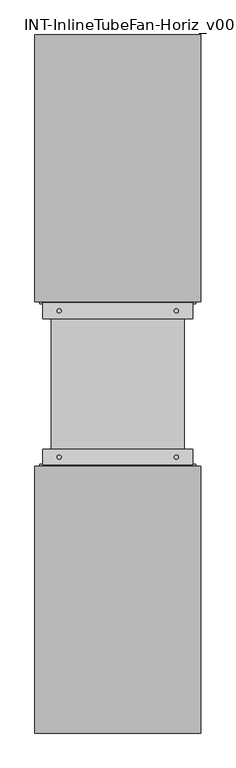
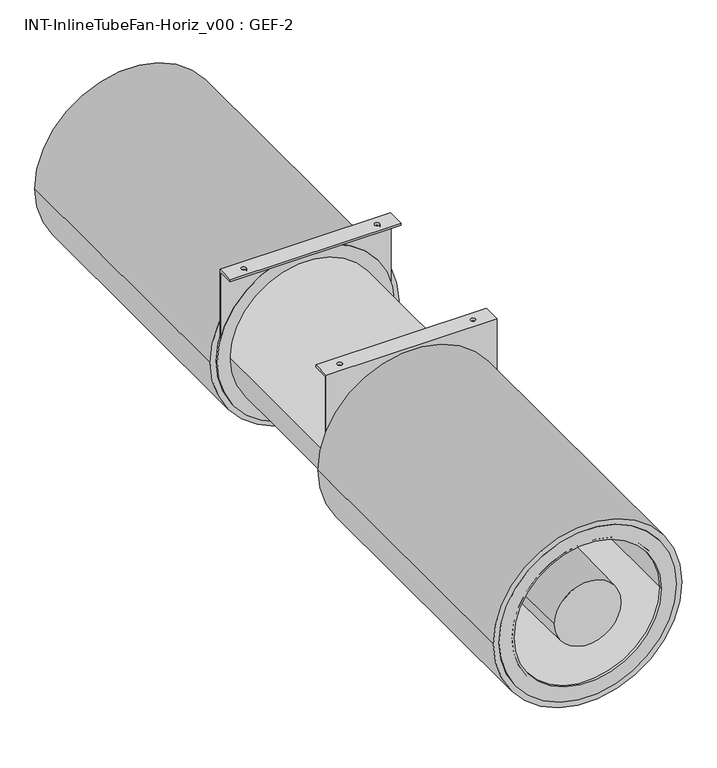
"""IFC4 building model written with IfcOpenShell, lengths in millimetres: proxy geometry, INT-InlineTubeFan-Horiz_v00 : GEF-2."""

import ifcopenshell
import ifcopenshell.guid

model = None  # the IFC model being written
_history = None  # IfcOwnerHistory: only IFC2X3 demands one
_inside = {}  # id of a spatial element -> (the spatial element, [elements in it])
_under = {}  # id of a project, library or spatial element -> (it, [spatial elements below it])
_declared = {}  # id of a project -> (the project, [libraries it declares])
_typed = {}  # id of a type object -> (the type object, [elements of that type])
_made_of = {}  # id of a material, layer set ... -> (it, [elements and type objects made of it])


def new_model(schema):
    """Start an empty IFC model of exactly this schema.

    Asked for "IFC4X3", IfcOpenShell would pick the latest addendum, in which some entities
    have other attributes; the version numbers below select the first issue.
    IFC2X3 requires an IfcOwnerHistory on every rooted entity: one is made here for all.
    """
    global model, _history
    if schema == "IFC4X3":
        model = ifcopenshell.file(schema_version=(4, 3, 0, 0))
    else:
        model = ifcopenshell.file(schema=schema)
    _inside.clear()
    _under.clear()
    _declared.clear()
    _typed.clear()
    _made_of.clear()
    _history = None
    if model.schema == "IFC2X3":
        org = make("IfcOrganization", Name="unknown")
        user = make(
            "IfcPersonAndOrganization",
            ThePerson=make("IfcPerson", FamilyName="unknown"),
            TheOrganization=org,
        )
        app = make(
            "IfcApplication",
            ApplicationDeveloper=org,
            Version="unknown",
            ApplicationFullName="unknown",
            ApplicationIdentifier="unknown",
        )
        _history = make(
            "IfcOwnerHistory",
            OwningUser=user,
            OwningApplication=app,
            ChangeAction="ADDED",
            CreationDate=0,
        )
    return model


def make(cls, **values):
    """One entity of the class cls with the attributes given. An attribute that is None is left unset."""
    return model.create_entity(
        cls, **{name: value for name, value in values.items() if value is not None}
    )


def rooted(cls, **values):
    """An entity with a GlobalId (a new one), such as an element, a storey or a relation."""
    return make(cls, GlobalId=ifcopenshell.guid.new(), OwnerHistory=_history, **values)


def si_unit(unit_type, name, prefix=None):
    """IfcSIUnit, for example si_unit("LENGTHUNIT", "METRE", prefix="MILLI")."""
    return make("IfcSIUnit", UnitType=unit_type, Prefix=prefix, Name=name)


def assignment(units):
    """IfcUnitAssignment: the units of a project."""
    return None if units is None else make("IfcUnitAssignment", Units=units)


def point(xyz):
    """IfcCartesianPoint."""
    return None if xyz is None else make("IfcCartesianPoint", Coordinates=xyz)


def direction(xyz):
    """IfcDirection."""
    return None if xyz is None else make("IfcDirection", DirectionRatios=xyz)


def frame(location, z_axis=None, x_axis=None):
    """IfcAxis2Placement3D, a coordinate frame: its origin and axes. An axis left out is left unset."""
    return make(
        "IfcAxis2Placement3D",
        Location=point(location),
        Axis=direction(z_axis),
        RefDirection=direction(x_axis),
    )


def frame_2d(location, x_axis=None):
    """IfcAxis2Placement2D, a coordinate frame in the plane: its origin and x axis."""
    return make(
        "IfcAxis2Placement2D", Location=point(location), RefDirection=direction(x_axis)
    )


def origin():
    """The frame at (0, 0, 0) with its axes left unset."""
    return frame((0.0, 0.0, 0.0))


def place(relative_to, where):
    """IfcLocalPlacement: puts the frame where relative to a parent placement (None: the world)."""
    return make(
        "IfcLocalPlacement", PlacementRelTo=relative_to, RelativePlacement=where
    )


def context(
    kind, dimensions, precision=None, world=None, true_north=None, identifier=None
):
    """IfcGeometricRepresentationContext, for example the 3D "Model" context."""
    return make(
        "IfcGeometricRepresentationContext",
        ContextIdentifier=identifier,
        ContextType=kind,
        CoordinateSpaceDimension=dimensions,
        Precision=precision,
        WorldCoordinateSystem=world,
        TrueNorth=true_north,
    )


def project(units=None, contexts=None):
    """IfcProject with its units and contexts."""
    return rooted(
        "IfcProject",
        Name="project",
        RepresentationContexts=contexts,
        UnitsInContext=assignment(units),
    )


def spatial(cls, under=None, at=None, **own):
    """A site, building, storey or space (cls), placed at a placement, below another one or the project."""
    s = rooted(cls, ObjectPlacement=at, **own)
    if under is not None:
        _under.setdefault(under.id(), (under, []))[1].append(s)
    return s


def polyline(points):
    """IfcPolyline through the points."""
    return make("IfcPolyline", Points=[point(p) for p in points])


def circle_curve(where, radius):
    """IfcCircle in the frame where."""
    return make("IfcCircle", Position=where, Radius=radius)


def trimmed(basis, trim1, trim2, sense, master):
    """IfcTrimmedCurve: the piece of a basis curve between two trims."""
    return make(
        "IfcTrimmedCurve",
        BasisCurve=basis,
        Trim1=trim1,
        Trim2=trim2,
        SenseAgreement=sense,
        MasterRepresentation=master,
    )


def segment(curve, same_sense, transition):
    """IfcCompositeCurveSegment."""
    return make(
        "IfcCompositeCurveSegment",
        Transition=transition,
        SameSense=same_sense,
        ParentCurve=curve,
    )


def composite_curve(segments, self_intersect=None):
    """IfcCompositeCurve: segments joined end to end."""
    return make("IfcCompositeCurve", Segments=segments, SelfIntersect=self_intersect)


def outline(outer, holes=None, kind="AREA"):
    """IfcArbitraryClosedProfileDef: a profile drawn as a closed curve; with holes, ...WithVoids."""
    if holes is None:
        return make("IfcArbitraryClosedProfileDef", ProfileType=kind, OuterCurve=outer)
    return make(
        "IfcArbitraryProfileDefWithVoids",
        ProfileType=kind,
        OuterCurve=outer,
        InnerCurves=holes,
    )


def extrude(swept, where, along, depth):
    """IfcExtrudedAreaSolid: the profile swept, set in the frame where, extruded along a direction by depth."""
    return make(
        "IfcExtrudedAreaSolid",
        SweptArea=swept,
        Position=where,
        ExtrudedDirection=direction(along),
        Depth=depth,
    )


def shape(context_of_items, identifier, shape_type, items):
    """IfcShapeRepresentation: the items that make up one representation, for example the "Body"."""
    return make(
        "IfcShapeRepresentation",
        ContextOfItems=context_of_items,
        RepresentationIdentifier=identifier,
        RepresentationType=shape_type,
        Items=items,
    )


def source(mapping_origin, context_of_items, identifier, shape_type, items):
    """IfcRepresentationMap: a shape defined once, which mapped items show again and again."""
    return make(
        "IfcRepresentationMap",
        MappingOrigin=mapping_origin,
        MappedRepresentation=shape(context_of_items, identifier, shape_type, items),
    )


def transform(
    local_origin,
    x_axis=None,
    y_axis=None,
    z_axis=None,
    scale=None,
    scale2=None,
    scale3=None,
    uniform=True,
):
    """IfcCartesianTransformationOperator3D, or its non-uniform kind. x_axis, y_axis, z_axis: its Axis1, 2, 3."""
    if uniform:
        return make(
            "IfcCartesianTransformationOperator3D",
            Axis1=direction(x_axis),
            Axis2=direction(y_axis),
            LocalOrigin=point(local_origin),
            Scale=scale,
            Axis3=direction(z_axis),
        )
    return make(
        "IfcCartesianTransformationOperator3DnonUniform",
        Axis1=direction(x_axis),
        Axis2=direction(y_axis),
        LocalOrigin=point(local_origin),
        Scale=scale,
        Axis3=direction(z_axis),
        Scale2=scale2,
        Scale3=scale3,
    )


def mapped(mapping_source, mapping_target):
    """IfcMappedItem: shows the shape of a source again, moved by a transform."""
    return make(
        "IfcMappedItem", MappingSource=mapping_source, MappingTarget=mapping_target
    )


def made_of(thing, what):
    """Note that an element or type object is made of a material, layer set ...; save() writes the relation."""
    if what is not None:
        _made_of.setdefault(what.id(), (what, []))[1].append(thing)
    return thing


def element(
    cls,
    number,
    at=None,
    inside=None,
    cuts=None,
    type_object=None,
    material=None,
    context=None,
    identifier="Body",
    shape_type=None,
    held_by="IfcProductDefinitionShape",
    body=None,
    shapes=None,
    **own,
):
    """One element of the class cls, such as IfcWall. Its Tag is "e" and its number.

    at: its placement. inside: the storey or other place that contains it. cuts: it is an
    opening in that element (IfcRelVoidsElement). A single representation is given by context,
    identifier, shape_type and body (its items); several are given by shapes. held_by: the class
    of the entity that holds the representations. save() writes the other relations.
    """
    e = rooted(cls, Tag="e%d" % number, ObjectPlacement=at, **own)
    if body is not None:
        shapes = [shape(context, identifier, shape_type, body)]
    if shapes is not None:
        e.Representation = make(held_by, Representations=shapes)
    if inside is not None:
        _inside.setdefault(inside.id(), (inside, []))[1].append(e)
    if cuts is not None:
        rooted(
            "IfcRelVoidsElement", RelatingBuildingElement=cuts, RelatedOpeningElement=e
        )
    if type_object is not None:
        _typed.setdefault(type_object.id(), (type_object, []))[1].append(e)
    return made_of(e, material)


def aggregate(whole, parts):
    """IfcRelAggregates: a whole, such as a stair, and the parts it consists of."""
    return rooted("IfcRelAggregates", RelatingObject=whole, RelatedObjects=parts)


def save(model, path):
    """Write the relations noted so far, then the file.

    IfcRelAggregates (storeys below a building ...), IfcRelContainedInSpatialStructure (elements
    in a storey), IfcRelDefinesByType, IfcRelAssociatesMaterial and IfcRelDeclares: one each for
    every whole, place, type object, material and project.
    """
    for whole, parts in _under.values():
        aggregate(whole, parts)
    for where, things in _inside.values():
        rooted(
            "IfcRelContainedInSpatialStructure",
            RelatedElements=things,
            RelatingStructure=where,
        )
    for kind, things in _typed.values():
        rooted("IfcRelDefinesByType", RelatedObjects=things, RelatingType=kind)
    for what, things in _made_of.values():
        rooted("IfcRelAssociatesMaterial", RelatedObjects=things, RelatingMaterial=what)
    for by, libraries in _declared.values():
        rooted("IfcRelDeclares", RelatingContext=by, RelatedDefinitions=libraries)
    model.write(path)


def plane_surface(at):
    """IfcPlane: the flat surface through the origin of the frame at, square to its z axis."""
    return make("IfcPlane", Position=at)


def revolved_surface(curve, axis_point, axis_direction):
    """IfcSurfaceOfRevolution: the curve turned about the line through axis_point along axis_direction."""
    return make(
        "IfcSurfaceOfRevolution",
        SweptCurve=make("IfcArbitraryOpenProfileDef", ProfileType="CURVE", Curve=curve),
        AxisPosition=make("IfcAxis1Placement", Location=point(axis_point), Axis=direction(axis_direction)),
    )


def advanced_brep(points, edges, surfaces, faces):
    """IfcAdvancedBrep: a solid bounded by faces that lie on surfaces and meet in shared edges.

    An edge is (start, end): straight between two places in points (the first is 0);
    or (start, end, curve); or (start, end, curve, False) where it runs against its curve.
    A face is (place in surfaces, loops), or (place, loops, False) where it looks against
    its surface's normal. A loop lists edges by number (the first is 1), with a minus sign
    where the edge is run from its end to its start. The first loop is the outer one.
    """
    corners = [point(p) for p in points]
    vertices = [make("IfcVertexPoint", VertexGeometry=c) for c in corners]
    made = []
    for start, end, *more in edges:
        made.append(
            make(
                "IfcEdgeCurve",
                EdgeStart=vertices[start],
                EdgeEnd=vertices[end],
                EdgeGeometry=more[0] if more else make("IfcPolyline", Points=[corners[start], corners[end]]),
                SameSense=more[1] if len(more) > 1 else True,
            )
        )
    hull = []
    for where, loops, *sense in faces:
        bounds = []
        for j, loop in enumerate(loops):
            ring = [make("IfcOrientedEdge", EdgeElement=made[abs(k) - 1], Orientation=k > 0) for k in loop]
            bounds.append(
                make(
                    "IfcFaceOuterBound" if j == 0 else "IfcFaceBound",
                    Bound=make("IfcEdgeLoop", EdgeList=ring),
                    Orientation=True,
                )
            )
        hull.append(make("IfcAdvancedFace", Bounds=bounds, FaceSurface=surfaces[where], SameSense=sense[0] if sense else True))
    return make("IfcAdvancedBrep", Outer=make("IfcClosedShell", CfsFaces=hull))


def int_inlinetubefan_horiz_v00_gef_2_d23111d2(model_context):
    return source(origin(), model_context, "Body", "SolidModel", [
        extrude(outline(composite_curve([segment(trimmed(circle_curve(frame_2d((914.4, 0.0)), 241.3), [point((914.4, -241.3))], [point((914.4, 241.3))], False, "CARTESIAN"), True, "CONTINUOUS"), segment(trimmed(circle_curve(frame_2d((914.4, 0.0)), 241.3), [point((914.4, 241.3))], [point((914.4, -241.3))], False, "CARTESIAN"), True, "CONTINUOUS")], self_intersect=False), holes=[composite_curve([segment(trimmed(circle_curve(frame_2d((914.4, 0.0)), 200.025), [point((914.4, 200.025))], [point((914.4, -200.025))], True, "CARTESIAN"), True, "CONTINUOUS"), segment(trimmed(circle_curve(frame_2d((914.4, 0.0)), 200.025), [point((914.4, -200.025))], [point((914.4, 200.025))], True, "CARTESIAN"), True, "CONTINUOUS")], self_intersect=False)]), frame((0.0, 794.54375, 0.0), z_axis=(0.0, 1.0, 0.0), x_axis=(0.0, 0.0, 1.0)), (0.0, 0.0, 1.0), 6.35),
        extrude(outline(composite_curve([segment(trimmed(circle_curve(frame_2d((914.4, 0.0)), 241.3), [point((914.4, -241.3))], [point((914.4, 241.3))], False, "CARTESIAN"), True, "CONTINUOUS"), segment(trimmed(circle_curve(frame_2d((914.4, 0.0)), 241.3), [point((914.4, 241.3))], [point((914.4, -241.3))], False, "CARTESIAN"), True, "CONTINUOUS")], self_intersect=False), holes=[composite_curve([segment(trimmed(circle_curve(frame_2d((914.4, 0.0)), 200.025), [point((914.4, 200.025))], [point((914.4, -200.025))], True, "CARTESIAN"), True, "CONTINUOUS"), segment(trimmed(circle_curve(frame_2d((914.4, 0.0)), 200.025), [point((914.4, -200.025))], [point((914.4, 200.025))], True, "CARTESIAN"), True, "CONTINUOUS")], self_intersect=False)]), frame((0.0, -1359.69375, 0.0), z_axis=(0.0, 1.0, 0.0), x_axis=(0.0, 0.0, 1.0)), (0.0, 0.0, 1.0), 6.35),
        extrude(outline(composite_curve([segment(trimmed(circle_curve(frame_2d((914.4, 0.0)), 256.38125), [point((914.4, 256.38125))], [point((914.4, -256.38125))], False, "CARTESIAN"), True, "CONTINUOUS"), segment(trimmed(circle_curve(frame_2d((914.4, 0.0)), 256.38125), [point((914.4, -256.38125))], [point((914.4, 256.38125))], False, "CARTESIAN"), True, "CONTINUOUS")], self_intersect=False), holes=[composite_curve([segment(trimmed(circle_curve(frame_2d((914.4, 0.0)), 200.025), [point((914.4, 200.025))], [point((914.4, -200.025))], True, "CARTESIAN"), True, "CONTINUOUS"), segment(trimmed(circle_curve(frame_2d((914.4, 0.0)), 200.025), [point((914.4, -200.025))], [point((914.4, 200.025))], True, "CARTESIAN"), True, "CONTINUOUS")], self_intersect=False)]), frame((0.0, -25.4, 0.0), z_axis=(0.0, 1.0, 0.0), x_axis=(0.0, 0.0, 1.0)), (0.0, 0.0, 1.0), 826.29375),
        extrude(outline(composite_curve([segment(trimmed(circle_curve(frame_2d((914.4, 0.0)), 256.38125), [point((914.4, 256.38125))], [point((914.4, -256.38125))], False, "CARTESIAN"), True, "CONTINUOUS"), segment(trimmed(circle_curve(frame_2d((914.4, 0.0)), 256.38125), [point((914.4, -256.38125))], [point((914.4, 256.38125))], False, "CARTESIAN"), True, "CONTINUOUS")], self_intersect=False), holes=[composite_curve([segment(trimmed(circle_curve(frame_2d((914.4, 0.0)), 200.025), [point((914.4, 200.025))], [point((914.4, -200.025))], True, "CARTESIAN"), True, "CONTINUOUS"), segment(trimmed(circle_curve(frame_2d((914.4, 0.0)), 200.025), [point((914.4, -200.025))], [point((914.4, 200.025))], True, "CARTESIAN"), True, "CONTINUOUS")], self_intersect=False)]), frame((0.0, -1359.69375, 0.0), z_axis=(0.0, 1.0, 0.0), x_axis=(0.0, 0.0, 1.0)), (0.0, 0.0, 1.0), 826.29375),
        extrude(outline(composite_curve([segment(trimmed(circle_curve(frame_2d((917.575, 0.0)), 103.1875), [point((1020.7625, 0.0))], [point((814.3875, 0.0))], False, "CARTESIAN"), True, "CONTINUOUS"), segment(trimmed(circle_curve(frame_2d((917.575, 0.0)), 103.1875), [point((814.3875, 0.0))], [point((1020.7625, 0.0))], False, "CARTESIAN"), True, "CONTINUOUS")], self_intersect=False)), frame((0.0, -406.4, 0.0), z_axis=(0.0, 1.0, 0.0), x_axis=(0.0, 0.0, 1.0)), (0.0, 0.0, 1.0), 157.95625),
        extrude(outline(composite_curve([segment(trimmed(circle_curve(frame_2d((914.4, 0.0)), 241.3), [point((914.4, -241.3))], [point((914.4, 241.3))], False, "CARTESIAN"), True, "CONTINUOUS"), segment(trimmed(circle_curve(frame_2d((914.4, 0.0)), 241.3), [point((914.4, 241.3))], [point((914.4, -241.3))], False, "CARTESIAN"), True, "CONTINUOUS")], self_intersect=False), holes=[composite_curve([segment(trimmed(circle_curve(frame_2d((914.4, 0.0)), 200.025), [point((914.4, 200.025))], [point((914.4, -200.025))], True, "CARTESIAN"), True, "CONTINUOUS"), segment(trimmed(circle_curve(frame_2d((914.4, 0.0)), 200.025), [point((914.4, -200.025))], [point((914.4, 200.025))], True, "CARTESIAN"), True, "CONTINUOUS")], self_intersect=False)]), frame((0.0, -533.4, 0.0), z_axis=(0.0, 1.0, 0.0), x_axis=(0.0, 0.0, 1.0)), (0.0, 0.0, 1.0), 6.35),
        extrude(outline(composite_curve([segment(trimmed(circle_curve(frame_2d((914.4, 0.0)), 241.3), [point((914.4, -241.3))], [point((914.4, 241.3))], False, "CARTESIAN"), True, "CONTINUOUS"), segment(trimmed(circle_curve(frame_2d((914.4, 0.0)), 241.3), [point((914.4, 241.3))], [point((914.4, -241.3))], False, "CARTESIAN"), True, "CONTINUOUS")], self_intersect=False), holes=[composite_curve([segment(trimmed(circle_curve(frame_2d((914.4, 0.0)), 200.025), [point((914.4, 200.025))], [point((914.4, -200.025))], True, "CARTESIAN"), True, "CONTINUOUS"), segment(trimmed(circle_curve(frame_2d((914.4, 0.0)), 200.025), [point((914.4, -200.025))], [point((914.4, 200.025))], True, "CARTESIAN"), True, "CONTINUOUS")], self_intersect=False)]), frame((0.0, -31.75, 0.0), z_axis=(0.0, 1.0, 0.0), x_axis=(0.0, 0.0, 1.0)), (0.0, 0.0, 1.0), 6.35),
        advanced_brep(
        [(232.171875, -530.098, 981.471875), (232.171875, -527.05, 981.471875), (232.171875, -527.05, 1169.9875), (232.171875, -481.1395, 1169.9875), (232.171875, -481.1395, 1176.3375), (232.171875, -530.098, 1176.3375), (-232.171875, -527.05, 981.471875), (-232.171875, -530.098, 981.471875), (-232.171875, -530.098, 1176.3375), (-232.171875, -481.1395, 1176.3375), (-232.171875, -481.1395, 1169.9875), (-232.171875, -527.05, 1169.9875), (-187.721875, -505.61875, 1176.3375), (-175.021875, -505.61875, 1176.3375), (175.021875, -505.61875, 1176.3375), (187.721875, -505.61875, 1176.3375), (-188.4445919, -530.098, 981.471875), (188.4445919, -530.098, 981.471875), (188.4445919, -527.05, 981.471875), (-188.4445919, -527.05, 981.471875), (-175.021875, -505.61875, 1169.9875), (-187.721875, -505.61875, 1169.9875), (187.721875, -505.61875, 1169.9875), (175.021875, -505.61875, 1169.9875)],
        [
            (0, 1),
            (1, 2),
            (2, 3),
            (3, 4),
            (4, 5),
            (5, 0),
            (6, 7),
            (7, 8),
            (8, 9),
            (9, 10),
            (10, 11),
            (11, 6),
            (8, 5),
            (4, 9),
            (12, 13, circle_curve(frame((-181.371875, -505.61875, 1176.3375), z_axis=(0.0, 0.0, -1.0), x_axis=(-1.0, 0.0, 0.0)), 6.35)),
            (13, 12, circle_curve(frame((-181.371875, -505.61875, 1176.3375), z_axis=(0.0, 0.0, -1.0), x_axis=(-1.0, 0.0, 0.0)), 6.35)),
            (14, 15, circle_curve(frame((181.371875, -505.61875, 1176.3375), z_axis=(0.0, 0.0, -1.0), x_axis=(-1.0, 0.0, 0.0)), 6.35)),
            (15, 14, circle_curve(frame((181.371875, -505.61875, 1176.3375), z_axis=(0.0, 0.0, -1.0), x_axis=(-1.0, 0.0, 0.0)), 6.35)),
            (7, 16),
            (16, 17, circle_curve(frame((0.0, -530.098, 914.4), z_axis=(0.0, 1.0, 0.0), x_axis=(1.0, 0.0, 0.0)), 200.025)),
            (17, 0),
            (17, 18),
            (18, 1),
            (6, 19),
            (19, 16),
            (18, 19, circle_curve(frame((0.0, -527.05, 914.4), z_axis=(0.0, -1.0, 0.0), x_axis=(1.0, 0.0, 0.0)), 200.025)),
            (11, 2),
            (3, 10),
            (20, 21, circle_curve(frame((-181.371875, -505.61875, 1169.9875), z_axis=(0.0, 0.0, 1.0), x_axis=(-1.0, 0.0, 0.0)), 6.35)),
            (21, 20, circle_curve(frame((-181.371875, -505.61875, 1169.9875), z_axis=(0.0, 0.0, 1.0), x_axis=(-1.0, 0.0, 0.0)), 6.35)),
            (22, 23, circle_curve(frame((181.371875, -505.61875, 1169.9875), z_axis=(0.0, 0.0, 1.0), x_axis=(-1.0, 0.0, 0.0)), 6.35)),
            (23, 22, circle_curve(frame((181.371875, -505.61875, 1169.9875), z_axis=(0.0, 0.0, 1.0), x_axis=(-1.0, 0.0, 0.0)), 6.35)),
            (20, 13),
            (12, 21),
            (22, 15),
            (14, 23),
        ],
        [
            plane_surface(frame((232.171875, -530.098, 1176.3375), z_axis=(1.0, 0.0, 0.0), x_axis=(0.0, -1.0, 0.0))),
            plane_surface(frame((-232.171875, -530.098, 1176.3375), z_axis=(-1.0, 0.0, 0.0), x_axis=(0.0, 1.0, 0.0))),
            plane_surface(frame((232.171875, -527.05, 1176.3375), z_axis=(0.0, 0.0, 1.0), x_axis=(-1.0, 0.0, 0.0))),
            plane_surface(frame((232.171875, -530.098, 1176.3375), z_axis=(0.0, -1.0, 0.0), x_axis=(-1.0, 0.0, 0.0))),
            plane_surface(frame((232.171875, -530.098, 981.471875), z_axis=(0.0, 0.0, -1.0), x_axis=(-1.0, 0.0, 0.0))),
            plane_surface(frame((232.171875, -527.05, 981.471875), z_axis=(0.0, 1.0, 0.0), x_axis=(-1.0, 0.0, 0.0))),
            plane_surface(frame((232.171875, -481.1395, 1169.9875), z_axis=(0.0, 1.0, 0.0), x_axis=(-1.0, 0.0, 0.0))),
            plane_surface(frame((232.171875, -530.098, 1169.9875), z_axis=(0.0, 0.0, -1.0), x_axis=(-1.0, 0.0, 0.0))),
            revolved_surface(polyline([(-187.72187499999998, -505.61875, 1176.3375), (-187.72187499999998, -505.61875, 1169.9875)]), (-181.371875, -505.61875, 601.6625), (0.0, 0.0, 1.0)),
            revolved_surface(polyline([(175.021875, -505.61875, 1176.3375), (175.021875, -505.61875, 1169.9875)]), (181.371875, -505.61875, 652.4625), (0.0, 0.0, 1.0)),
            revolved_surface(polyline([(200.025, -530.098, 914.4), (200.025, -527.05, 914.4)]), (0.0, 800.89375, 914.4), (0.0, -1.0, 0.0)),
        ],
        [
            (0, [[1, 2, 3, 4, 5, 6]]),
            (1, [[7, 8, 9, 10, 11, 12]]),
            (2, [[13, -5, 14, -9], [15, 16], [17, 18]]),
            (3, [[-13, -8, 19, 20, 21, -6]]),
            (4, [[-1, -21, 22, 23]]),
            (4, [[-7, 24, 25, -19]]),
            (5, [[-23, 26, -24, -12, 27, -2]]),
            (6, [[-4, 28, -10, -14]]),
            (7, [[-28, -3, -27, -11], [29, 30], [31, 32]]),
            (8, [[33, -15, 34, -29]]),
            (8, [[-33, -30, -34, -16]]),
            (9, [[35, -17, 36, -31]]),
            (9, [[-35, -32, -36, -18]]),
            (10, [[-20, -25, -26, -22]]),
        ],
    ),
        advanced_brep(
        [(232.171875, -31.75, 981.471875), (232.171875, -28.702, 981.471875), (232.171875, -28.702, 1176.3375), (232.171875, -77.6605, 1176.3375), (232.171875, -77.6605, 1169.9875), (232.171875, -31.75, 1169.9875), (-232.171875, -28.702, 981.471875), (-232.171875, -31.75, 981.471875), (-232.171875, -31.75, 1169.9875), (-232.171875, -77.6605, 1169.9875), (-232.171875, -77.6605, 1176.3375), (-232.171875, -28.702, 1176.3375), (175.021875, -53.18125, 1176.3375), (187.721875, -53.18125, 1176.3375), (-187.721875, -53.18125, 1176.3375), (-175.021875, -53.18125, 1176.3375), (188.4445919, -31.75, 981.471875), (-188.4445919, -31.75, 981.471875), (188.4445919, -28.702, 981.471875), (-188.4445919, -28.702, 981.471875), (187.721875, -53.18125, 1169.9875), (175.021875, -53.18125, 1169.9875), (-175.021875, -53.18125, 1169.9875), (-187.721875, -53.18125, 1169.9875)],
        [
            (0, 1),
            (1, 2),
            (2, 3),
            (3, 4),
            (4, 5),
            (5, 0),
            (6, 7),
            (7, 8),
            (8, 9),
            (9, 10),
            (10, 11),
            (11, 6),
            (2, 11),
            (10, 3),
            (12, 13, circle_curve(frame((181.371875, -53.18125, 1176.3375), z_axis=(0.0, 0.0, -1.0), x_axis=(-1.0, 0.0, 0.0)), 6.35)),
            (13, 12, circle_curve(frame((181.371875, -53.18125, 1176.3375), z_axis=(0.0, 0.0, -1.0), x_axis=(-1.0, 0.0, 0.0)), 6.35)),
            (14, 15, circle_curve(frame((-181.371875, -53.18125, 1176.3375), z_axis=(0.0, 0.0, -1.0), x_axis=(-1.0, 0.0, 0.0)), 6.35)),
            (15, 14, circle_curve(frame((-181.371875, -53.18125, 1176.3375), z_axis=(0.0, 0.0, -1.0), x_axis=(-1.0, 0.0, 0.0)), 6.35)),
            (16, 0),
            (5, 8),
            (7, 17),
            (17, 16, circle_curve(frame((0.0, -31.75, 914.4), z_axis=(0.0, 1.0, 0.0), x_axis=(1.0, 0.0, 0.0)), 200.025)),
            (16, 18),
            (18, 1),
            (6, 19),
            (19, 17),
            (18, 19, circle_curve(frame((0.0, -28.702, 914.4), z_axis=(0.0, -1.0, 0.0), x_axis=(1.0, 0.0, 0.0)), 200.025)),
            (9, 4),
            (20, 21, circle_curve(frame((181.371875, -53.18125, 1169.9875), z_axis=(0.0, 0.0, 1.0), x_axis=(-1.0, 0.0, 0.0)), 6.35)),
            (21, 20, circle_curve(frame((181.371875, -53.18125, 1169.9875), z_axis=(0.0, 0.0, 1.0), x_axis=(-1.0, 0.0, 0.0)), 6.35)),
            (22, 23, circle_curve(frame((-181.371875, -53.18125, 1169.9875), z_axis=(0.0, 0.0, 1.0), x_axis=(-1.0, 0.0, 0.0)), 6.35)),
            (23, 22, circle_curve(frame((-181.371875, -53.18125, 1169.9875), z_axis=(0.0, 0.0, 1.0), x_axis=(-1.0, 0.0, 0.0)), 6.35)),
            (20, 13),
            (12, 21),
            (22, 15),
            (14, 23),
        ],
        [
            plane_surface(frame((232.171875, -530.098, 1176.3375), z_axis=(1.0, 0.0, 0.0), x_axis=(0.0, -1.0, 0.0))),
            plane_surface(frame((-232.171875, -530.098, 1176.3375), z_axis=(-1.0, 0.0, 0.0), x_axis=(0.0, 1.0, 0.0))),
            plane_surface(frame((232.171875, -28.702, 1176.3375), z_axis=(0.0, 0.0, 1.0), x_axis=(-1.0, 0.0, 0.0))),
            plane_surface(frame((232.171875, -31.75, 1176.3375), z_axis=(0.0, -1.0, 0.0), x_axis=(-1.0, 0.0, 0.0))),
            plane_surface(frame((232.171875, -31.75, 981.471875), z_axis=(0.0, 0.0, -1.0), x_axis=(-1.0, 0.0, 0.0))),
            plane_surface(frame((232.171875, -28.702, 981.471875), z_axis=(0.0, 1.0, 0.0), x_axis=(-1.0, 0.0, 0.0))),
            plane_surface(frame((232.171875, -77.6605, 1176.3375), z_axis=(0.0, -1.0, 0.0), x_axis=(-1.0, 0.0, 0.0))),
            plane_surface(frame((232.171875, -77.6605, 1169.9875), z_axis=(0.0, 0.0, -1.0), x_axis=(-1.0, 0.0, 0.0))),
            revolved_surface(polyline([(175.021875, -53.18125, 1176.3375), (175.021875, -53.18125, 1169.9875)]), (181.371875, -53.18125, 652.4625), (0.0, 0.0, 1.0)),
            revolved_surface(polyline([(-187.72187499999998, -53.18125, 1176.3375), (-187.72187499999998, -53.18125, 1169.9875)]), (-181.371875, -53.18125, 652.4625), (0.0, 0.0, 1.0)),
            revolved_surface(polyline([(200.025, -31.75, 914.4), (200.025, -28.701999999999998, 914.4)]), (0.0, 800.89375, 914.4), (0.0, -1.0, 0.0)),
        ],
        [
            (0, [[1, 2, 3, 4, 5, 6]]),
            (1, [[7, 8, 9, 10, 11, 12]]),
            (2, [[13, -11, 14, -3], [15, 16], [17, 18]]),
            (3, [[19, -6, 20, -8, 21, 22]]),
            (4, [[-1, -19, 23, 24]]),
            (4, [[-7, 25, 26, -21]]),
            (5, [[-13, -2, -24, 27, -25, -12]]),
            (6, [[-4, -14, -10, 28]]),
            (7, [[-28, -9, -20, -5], [29, 30], [31, 32]]),
            (8, [[33, -15, 34, -29]]),
            (8, [[-33, -30, -34, -16]]),
            (9, [[35, -17, 36, -31]]),
            (9, [[-35, -32, -36, -18]]),
            (10, [[-22, -26, -27, -23]]),
        ],
    ),
        extrude(outline(composite_curve([segment(trimmed(circle_curve(frame_2d((914.4, 0.0)), 206.375), [point((914.4, -206.375))], [point((914.4, 206.375))], False, "CARTESIAN"), True, "CONTINUOUS"), segment(trimmed(circle_curve(frame_2d((914.4, 0.0)), 206.375), [point((914.4, 206.375))], [point((914.4, -206.375))], False, "CARTESIAN"), True, "CONTINUOUS")], self_intersect=False), holes=[composite_curve([segment(trimmed(circle_curve(frame_2d((914.4, 0.0)), 200.025), [point((914.4, 200.025))], [point((914.4, -200.025))], True, "CARTESIAN"), True, "CONTINUOUS"), segment(trimmed(circle_curve(frame_2d((914.4, 0.0)), 200.025), [point((914.4, -200.025))], [point((914.4, 200.025))], True, "CARTESIAN"), True, "CONTINUOUS")], self_intersect=False)]), frame((0.0, -1359.69375, 0.0), z_axis=(0.0, 1.0, 0.0), x_axis=(0.0, 0.0, 1.0)), (0.0, 0.0, 1.0), 2160.5875),
        advanced_brep(
        [(-103.1875, -248.44375, 914.4), (103.1875, -248.44375, 914.4), (-90.4875, 800.89375, 914.4), (90.4875, 800.89375, 914.4)],
        [
            (0, 1, circle_curve(frame((0.0, -248.44375, 914.4), z_axis=(0.0, -1.0, 0.0), x_axis=(-1.0, 0.0, 0.0)), 103.1875)),
            (1, 0, circle_curve(frame((0.0, -248.44375, 914.4), z_axis=(0.0, -1.0, 0.0), x_axis=(1.0, 0.0, 0.0)), 103.1875)),
            (2, 3, circle_curve(frame((0.0, 800.89375, 914.4), z_axis=(0.0, 1.0, 0.0), x_axis=(1.0, 0.0, 0.0)), 90.4875)),
            (3, 2, circle_curve(frame((0.0, 800.89375, 914.4), z_axis=(0.0, 1.0, 0.0), x_axis=(-1.0, 0.0, 0.0)), 90.4875)),
            (3, 1),
            (0, 2),
        ],
        [
            plane_surface(frame((0.0, -248.44375, 914.4), z_axis=(0.0, -1.0, 0.0), x_axis=(0.0, 0.0, -1.0))),
            plane_surface(frame((0.0, 800.89375, 914.4), z_axis=(0.0, 1.0, 0.0), x_axis=(0.0, 0.0, -1.0))),
            revolved_surface(polyline([(90.48749999999998, 800.8937500000011, 914.4), (103.1875, -248.44375000000036, 914.4)]), (0.0, 8277.4234375, 914.4), (0.0, -1.0, 0.0)),
            revolved_surface(polyline([(-90.48749999999998, 800.8937500000011, 914.4), (-103.1875, -248.44375000000036, 914.4)]), (0.0, 8277.4234375, 914.4), (0.0, -1.0, 0.0)),
        ],
        [
            (0, [[1, 2]]),
            (1, [[3, 4]]),
            (2, [[-4, 5, -1, 6]]),
            (3, [[-3, -6, -2, -5]]),
        ],
    ),
        advanced_brep(
        [(-103.1875, -406.4, 914.4), (103.1875, -406.4, 914.4), (-90.4875, -1359.69375, 914.4), (90.4875, -1359.69375, 914.4)],
        [
            (0, 1, circle_curve(frame((0.0, -406.4, 914.4), z_axis=(0.0, 1.0, 0.0), x_axis=(-1.0, 0.0, 0.0)), 103.1875)),
            (1, 0, circle_curve(frame((0.0, -406.4, 914.4), z_axis=(0.0, 1.0, 0.0), x_axis=(1.0, 0.0, 0.0)), 103.1875)),
            (2, 3, circle_curve(frame((0.0, -1359.69375, 914.4), z_axis=(0.0, -1.0, 0.0), x_axis=(1.0, 0.0, 0.0)), 90.4875)),
            (3, 2, circle_curve(frame((0.0, -1359.69375, 914.4), z_axis=(0.0, -1.0, 0.0), x_axis=(-1.0, 0.0, 0.0)), 90.4875)),
            (2, 0),
            (1, 3),
        ],
        [
            plane_surface(frame((0.0, -406.4, 914.4), z_axis=(0.0, 1.0, 0.0), x_axis=(0.0, 0.0, -1.0))),
            plane_surface(frame((0.0, -1359.69375, 914.4), z_axis=(0.0, -1.0, 0.0), x_axis=(0.0, 0.0, -1.0))),
            revolved_surface(polyline([(-90.48749999991801, -1359.6937499999995, 914.4), (-103.1875, -406.39999999999964, 914.4)]), (0.0, -8151.9117187, 914.4), (0.0, 1.0, 0.0)),
            revolved_surface(polyline([(90.48750000008198, -1359.6937500000004, 914.4), (103.1875, -406.39999999999964, 914.4)]), (0.0, -8151.9117188, 914.4), (0.0, 1.0, 0.0)),
        ],
        [
            (0, [[1, 2]]),
            (1, [[3, 4]]),
            (2, [[-3, 5, -2, 6]]),
            (3, [[-4, -6, -1, -5]]),
        ],
    ),
    ])


if __name__ == "__main__":
    model = new_model("IFC4")
    model_context = context("Model", 3, world=origin())
    ifc_project = project(units=[si_unit("LENGTHUNIT", "METRE", prefix="MILLI")], contexts=[model_context])
    site = spatial("IfcSite", under=ifc_project)
    building = spatial("IfcBuilding", under=site)
    placement = place(None, origin())
    int_inlinetubefan_horiz_v00_gef_2_shape = int_inlinetubefan_horiz_v00_gef_2_d23111d2(model_context)
    element("IfcBuildingElementProxy", 1, Name="INT-InlineTubeFan-Horiz_v00 : GEF-2", ObjectType="INT-InlineTubeFan-Horiz_v00 : GEF-2", at=placement, inside=building, context=model_context, shape_type="MappedRepresentation", body=[
        mapped(int_inlinetubefan_horiz_v00_gef_2_shape, transform((0.0, 0.0, 0.0), x_axis=(1.0, 0.0, 0.0), y_axis=(0.0, 1.0, 0.0), z_axis=(0.0, 0.0, 1.0))),
    ])
    save(model, "model.ifc")
